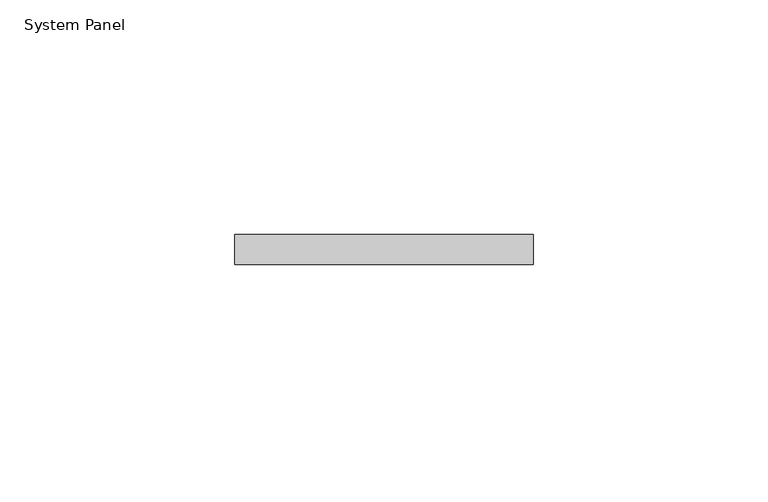
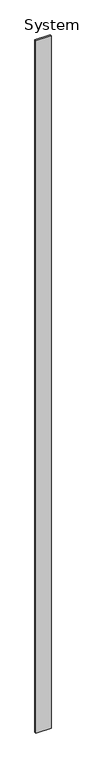
"""IFC4 building model written with IfcOpenShell, lengths in millimetres: plate geometry, System Panel."""

from ifc_helpers import new_model, si_unit, origin, origin_with_axes, place, context, project, spatial, polyline, outline, extrude, source, transform, mapped, element, save


def system_panel_030c32c3(model_context):
    return source(origin(), model_context, "Body", "SweptSolid", [
        extrude(outline(polyline([(31.75, 0.0), (-31.75, 0.0), (-31.75, 6.35), (31.75, 6.35), (31.75, 0.0)])), origin_with_axes(), (0.0, 0.0, 1.0), 3048.0),
    ])


if __name__ == "__main__":
    model = new_model("IFC4")
    model_context = context("Model", 3, world=origin())
    ifc_project = project(units=[si_unit("LENGTHUNIT", "METRE", prefix="MILLI")], contexts=[model_context])
    site = spatial("IfcSite", under=ifc_project)
    building = spatial("IfcBuilding", under=site)
    placement = place(None, origin())
    system_panel_shape = system_panel_030c32c3(model_context)
    element("IfcPlate", 1, ObjectType="System Panel", at=placement, inside=building, context=model_context, shape_type="MappedRepresentation", body=[
        mapped(system_panel_shape, transform((0.0, 0.0, 0.0), x_axis=(1.0, 0.0, 0.0), y_axis=(0.0, 1.0, 0.0), z_axis=(0.0, 0.0, 1.0))),
    ])
    save(model, "model.ifc")
